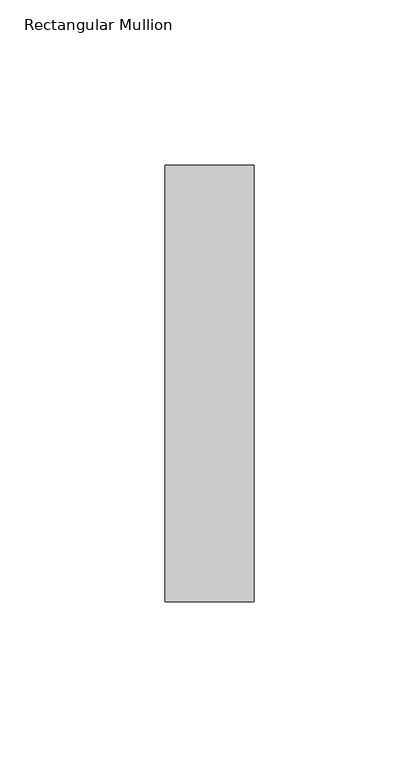
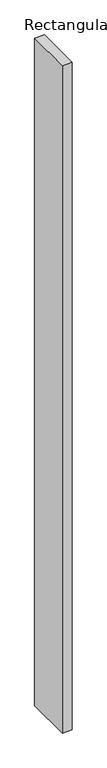
"""IFC4 building model written with IfcOpenShell, lengths in millimetres: member geometry, Rectangular Mullion."""

from ifc_helpers import new_model, si_unit, frame, origin, place, context, project, spatial, polyline, outline, extrude, source, transform, mapped, element, save


def rectangular_mullion_35c7cf0f(model_context):
    return source(origin(), model_context, "Body", "SweptSolid", [
        extrude(outline(polyline([(-27.0, 66.1), (0.0, 66.1), (0.0, -66.1), (-27.0, -66.1), (-27.0, 66.1)])), frame((0.0, 0.0, -1946.0), z_axis=(0.0, 0.0, 1.0), x_axis=(1.0, 0.0, 0.0)), (0.0, 0.0, 1.0), 1946.0),
    ])


if __name__ == "__main__":
    model = new_model("IFC4")
    model_context = context("Model", 3, world=origin())
    ifc_project = project(units=[si_unit("LENGTHUNIT", "METRE", prefix="MILLI")], contexts=[model_context])
    site = spatial("IfcSite", under=ifc_project)
    building = spatial("IfcBuilding", under=site)
    placement = place(None, origin())
    rectangular_mullion_shape = rectangular_mullion_35c7cf0f(model_context)
    element("IfcMember", 1, ObjectType="Rectangular Mullion", at=placement, inside=building, context=model_context, shape_type="MappedRepresentation", body=[
        mapped(rectangular_mullion_shape, transform((0.0, 0.0, 0.0), x_axis=(1.0, 0.0, 0.0), y_axis=(0.0, 1.0, 0.0), z_axis=(0.0, 0.0, 1.0))),
    ])
    save(model, "model.ifc")
